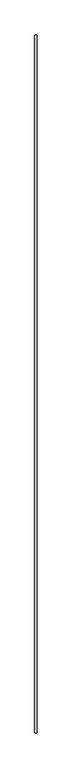
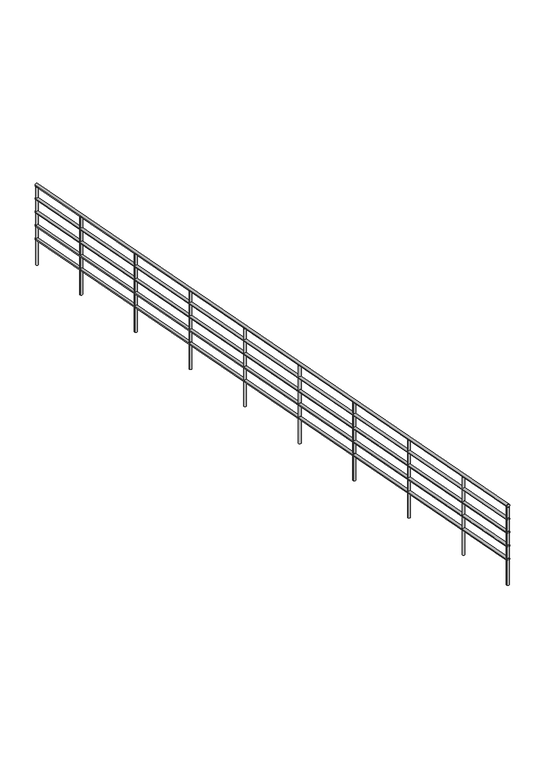
"""IFC4 building model written with IfcOpenShell, lengths in millimetres: railing geometry."""

from ifc_helpers import new_model, si_unit, frame, origin, place, context, project, spatial, circle_curve, ellipse_curve, source, transform, mapped, element, save
from ifc_brep_helpers import plane_surface, cylinder_surface, advanced_brep


def railing_ae4b4a71(model_context):
    return source(origin(), model_context, "Body", "AdvancedBrep", [
        advanced_brep(
        [(-2541.6708619, 4187.6998312, 5832.3366819), (-2571.6708619, 4187.6998312, 5832.3366819), (-2541.6708619, -4449.8001688, 7484.7279862), (-2571.6708619, -4449.8001688, 7484.7279862)],
        [
            (0, 1, ellipse_curve(frame((-2556.6708619, 4187.6998312, 5832.3366819), z_axis=(0.0, 1.0, 0.0), x_axis=(0.0, 0.0, -1.0)), 15.2720138, 15.0)),
            (1, 0, ellipse_curve(frame((-2556.6708619, 4187.6998312, 5832.3366819), z_axis=(0.0, 1.0, 0.0), x_axis=(0.0, 0.0, -1.0)), 15.2720138, 15.0)),
            (2, 3, ellipse_curve(frame((-2556.6708619, -4449.8001688, 7484.7279862), z_axis=(0.0, -1.0, 0.0), x_axis=(0.0, 0.0, -1.0)), 15.2720138, 15.0)),
            (3, 2, ellipse_curve(frame((-2556.6708619, -4449.8001688, 7484.7279862), z_axis=(0.0, -1.0, 0.0), x_axis=(0.0, 0.0, -1.0)), 15.2720138, 15.0)),
            (0, 2),
            (3, 1),
        ],
        [
            plane_surface(frame((-2556.6708619, 4187.6998312, 5847.6086957), z_axis=(0.0, 1.0, 0.0), x_axis=(0.0, 0.0, -1.0))),
            plane_surface(frame((-2556.6708619, -4449.8001688, 7500.0), z_axis=(0.0, -1.0, 0.0), x_axis=(0.0, 0.0, -1.0))),
            cylinder_surface(frame((-2556.6708619, 4184.8813766, 5832.8758645), z_axis=(0.0, 0.9821887426011093, -0.1878969768454297), x_axis=(-1.0, 0.0, 0.0)), 15.0),
        ],
        [
            (0, [[1, 2]]),
            (1, [[3, 4]]),
            (2, [[-1, 5, -4, 6]]),
            (2, [[-2, -6, -3, -5]]),
        ],
    ),
        advanced_brep(
        [(-2541.6708619, 4187.6998312, 5682.3366819), (-2571.6708619, 4187.6998312, 5682.3366819), (-2541.6708619, -4449.8001688, 7334.7279862), (-2571.6708619, -4449.8001688, 7334.7279862)],
        [
            (0, 1, ellipse_curve(frame((-2556.6708619, 4187.6998312, 5682.3366819), z_axis=(0.0, 1.0, 0.0), x_axis=(0.0, 0.0, -1.0)), 15.2720138, 15.0)),
            (1, 0, ellipse_curve(frame((-2556.6708619, 4187.6998312, 5682.3366819), z_axis=(0.0, 1.0, 0.0), x_axis=(0.0, 0.0, -1.0)), 15.2720138, 15.0)),
            (2, 3, ellipse_curve(frame((-2556.6708619, -4449.8001688, 7334.7279862), z_axis=(0.0, -1.0, 0.0), x_axis=(0.0, 0.0, -1.0)), 15.2720138, 15.0)),
            (3, 2, ellipse_curve(frame((-2556.6708619, -4449.8001688, 7334.7279862), z_axis=(0.0, -1.0, 0.0), x_axis=(0.0, 0.0, -1.0)), 15.2720138, 15.0)),
            (0, 2),
            (3, 1),
        ],
        [
            plane_surface(frame((-2556.6708619, 4187.6998312, 5697.6086957), z_axis=(0.0, 1.0, 0.0), x_axis=(0.0, 0.0, -1.0))),
            plane_surface(frame((-2556.6708619, -4449.8001688, 7350.0), z_axis=(0.0, -1.0, 0.0), x_axis=(0.0, 0.0, -1.0))),
            cylinder_surface(frame((-2556.6708619, 4184.8813766, 5682.8758645), z_axis=(0.0, 0.9821887426011093, -0.1878969768454297), x_axis=(-1.0, 0.0, 0.0)), 15.0),
        ],
        [
            (0, [[1, 2]]),
            (1, [[3, 4]]),
            (2, [[-1, 5, -4, 6]]),
            (2, [[-2, -6, -3, -5]]),
        ],
    ),
        advanced_brep(
        [(-2541.6708619, 4187.6998312, 5532.3366819), (-2571.6708619, 4187.6998312, 5532.3366819), (-2541.6708619, -4449.8001688, 7184.7279862), (-2571.6708619, -4449.8001688, 7184.7279862)],
        [
            (0, 1, ellipse_curve(frame((-2556.6708619, 4187.6998312, 5532.3366819), z_axis=(0.0, 1.0, 0.0), x_axis=(0.0, 0.0, -1.0)), 15.2720138, 15.0)),
            (1, 0, ellipse_curve(frame((-2556.6708619, 4187.6998312, 5532.3366819), z_axis=(0.0, 1.0, 0.0), x_axis=(0.0, 0.0, -1.0)), 15.2720138, 15.0)),
            (2, 3, ellipse_curve(frame((-2556.6708619, -4449.8001688, 7184.7279862), z_axis=(0.0, -1.0, 0.0), x_axis=(0.0, 0.0, -1.0)), 15.2720138, 15.0)),
            (3, 2, ellipse_curve(frame((-2556.6708619, -4449.8001688, 7184.7279862), z_axis=(0.0, -1.0, 0.0), x_axis=(0.0, 0.0, -1.0)), 15.2720138, 15.0)),
            (0, 2),
            (3, 1),
        ],
        [
            plane_surface(frame((-2556.6708619, 4187.6998312, 5547.6086957), z_axis=(0.0, 1.0, 0.0), x_axis=(0.0, 0.0, -1.0))),
            plane_surface(frame((-2556.6708619, -4449.8001688, 7200.0), z_axis=(0.0, -1.0, 0.0), x_axis=(0.0, 0.0, -1.0))),
            cylinder_surface(frame((-2556.6708619, 4184.8813766, 5532.8758645), z_axis=(0.0, 0.9821887426011093, -0.1878969768454297), x_axis=(-1.0, 0.0, 0.0)), 15.0),
        ],
        [
            (0, [[1, 2]]),
            (1, [[3, 4]]),
            (2, [[-1, 5, -4, 6]]),
            (2, [[-2, -6, -3, -5]]),
        ],
    ),
        advanced_brep(
        [(-2541.6708619, 4187.6998312, 5382.3366819), (-2571.6708619, 4187.6998312, 5382.3366819), (-2541.6708619, -4449.8001688, 7034.7279862), (-2571.6708619, -4449.8001688, 7034.7279862)],
        [
            (0, 1, ellipse_curve(frame((-2556.6708619, 4187.6998312, 5382.3366819), z_axis=(0.0, 1.0, 0.0), x_axis=(0.0, 0.0, -1.0)), 15.2720138, 15.0)),
            (1, 0, ellipse_curve(frame((-2556.6708619, 4187.6998312, 5382.3366819), z_axis=(0.0, 1.0, 0.0), x_axis=(0.0, 0.0, -1.0)), 15.2720138, 15.0)),
            (2, 3, ellipse_curve(frame((-2556.6708619, -4449.8001688, 7034.7279862), z_axis=(0.0, -1.0, 0.0), x_axis=(0.0, 0.0, -1.0)), 15.2720138, 15.0)),
            (3, 2, ellipse_curve(frame((-2556.6708619, -4449.8001688, 7034.7279862), z_axis=(0.0, -1.0, 0.0), x_axis=(0.0, 0.0, -1.0)), 15.2720138, 15.0)),
            (0, 2),
            (3, 1),
        ],
        [
            plane_surface(frame((-2556.6708619, 4187.6998312, 5397.6086957), z_axis=(0.0, 1.0, 0.0), x_axis=(0.0, 0.0, -1.0))),
            plane_surface(frame((-2556.6708619, -4449.8001688, 7050.0), z_axis=(0.0, -1.0, 0.0), x_axis=(0.0, 0.0, -1.0))),
            cylinder_surface(frame((-2556.6708619, 4184.8813766, 5382.8758645), z_axis=(0.0, 0.9821887426011093, -0.1878969768454297), x_axis=(-1.0, 0.0, 0.0)), 15.0),
        ],
        [
            (0, [[1, 2]]),
            (1, [[3, 4]]),
            (2, [[-1, 5, -4, 6]]),
            (2, [[-2, -6, -3, -5]]),
        ],
    ),
        advanced_brep(
        [(-2541.6708619, 4187.6998312, 5232.3366819), (-2571.6708619, 4187.6998312, 5232.3366819), (-2541.6708619, -4449.8001688, 6884.7279862), (-2571.6708619, -4449.8001688, 6884.7279862)],
        [
            (0, 1, ellipse_curve(frame((-2556.6708619, 4187.6998312, 5232.3366819), z_axis=(0.0, 1.0, 0.0), x_axis=(0.0, 0.0, -1.0)), 15.2720138, 15.0)),
            (1, 0, ellipse_curve(frame((-2556.6708619, 4187.6998312, 5232.3366819), z_axis=(0.0, 1.0, 0.0), x_axis=(0.0, 0.0, -1.0)), 15.2720138, 15.0)),
            (2, 3, ellipse_curve(frame((-2556.6708619, -4449.8001688, 6884.7279862), z_axis=(0.0, -1.0, 0.0), x_axis=(0.0, 0.0, -1.0)), 15.2720138, 15.0)),
            (3, 2, ellipse_curve(frame((-2556.6708619, -4449.8001688, 6884.7279862), z_axis=(0.0, -1.0, 0.0), x_axis=(0.0, 0.0, -1.0)), 15.2720138, 15.0)),
            (0, 2),
            (3, 1),
        ],
        [
            plane_surface(frame((-2556.6708619, 4187.6998312, 5247.6086957), z_axis=(0.0, 1.0, 0.0), x_axis=(0.0, 0.0, -1.0))),
            plane_surface(frame((-2556.6708619, -4449.8001688, 6900.0), z_axis=(0.0, -1.0, 0.0), x_axis=(0.0, 0.0, -1.0))),
            cylinder_surface(frame((-2556.6708619, 4184.8813766, 5232.8758645), z_axis=(0.0, 0.9821887426011093, -0.1878969768454297), x_axis=(-1.0, 0.0, 0.0)), 15.0),
        ],
        [
            (0, [[1, 2]]),
            (1, [[3, 4]]),
            (2, [[-1, 5, -4, 6]]),
            (2, [[-2, -6, -3, -5]]),
        ],
    ),
        advanced_brep(
        [(-2569.1708619, -3631.0501688, 7312.8255377), (-2569.1708619, -3631.0501688, 6443.3695652), (-2544.1708619, -3631.0501688, 6443.3695652), (-2544.1708619, -3631.0501688, 7312.8255377)],
        [
            (0, 1),
            (1, 2, circle_curve(frame((-2556.6708619, -3631.0501688, 6443.3695652), z_axis=(0.0, 0.0, 1.0), x_axis=(1.0, 0.0, 0.0)), 12.5)),
            (2, 3),
            (3, 0, ellipse_curve(frame((-2556.6708619, -3631.0501688, 7312.8255377), z_axis=(0.0, -0.18789697684542653, -0.9821887426011099), x_axis=(0.0, -0.9821887426011099, 0.18789697684542625)), 12.7266781, 12.5)),
            (0, 3, ellipse_curve(frame((-2556.6708619, -3631.0501688, 7312.8255377), z_axis=(0.0, -0.18789697684542653, -0.9821887426011099), x_axis=(0.0, -0.9821887426011099, 0.18789697684542625)), 12.7266781, 12.5)),
            (2, 1, circle_curve(frame((-2556.6708619, -3631.0501688, 6443.3695652), z_axis=(0.0, 0.0, 1.0), x_axis=(1.0, 0.0, 0.0)), 12.5)),
        ],
        [
            cylinder_surface(frame((-2556.6708619, -3631.0501688, 6343.3695652), z_axis=(0.0, 0.0, 1.0), x_axis=(1.0, 0.0, 0.0)), 12.5),
            plane_surface(frame((-2531.6708619, -3656.0501688, 7317.6081464), z_axis=(0.0, 0.18789697684542653, 0.9821887426011099), x_axis=(-1.0, 0.0, 0.0))),
            plane_surface(frame((-2531.6708619, -3606.0501688, 6443.3695652), z_axis=(0.0, 0.0, -1.0), x_axis=(-1.0, 0.0, 0.0))),
        ],
        [
            (0, [[1, 2, 3, 4]]),
            (0, [[-1, 5, -3, 6]]),
            (1, [[-4, -5]]),
            (2, [[-2, -6]]),
        ],
    ),
        advanced_brep(
        [(-2569.1708619, -2631.0501688, 7121.5211899), (-2569.1708619, -2631.0501688, 6252.0652174), (-2544.1708619, -2631.0501688, 6252.0652174), (-2544.1708619, -2631.0501688, 7121.5211899)],
        [
            (0, 1),
            (1, 2, circle_curve(frame((-2556.6708619, -2631.0501688, 6252.0652174), z_axis=(0.0, 0.0, 1.0), x_axis=(1.0, 0.0, 0.0)), 12.5)),
            (2, 3),
            (3, 0, ellipse_curve(frame((-2556.6708619, -2631.0501688, 7121.5211899), z_axis=(0.0, -0.18789697684542653, -0.9821887426011099), x_axis=(0.0, -0.9821887426011099, 0.18789697684542625)), 12.7266781, 12.5)),
            (0, 3, ellipse_curve(frame((-2556.6708619, -2631.0501688, 7121.5211899), z_axis=(0.0, -0.18789697684542653, -0.9821887426011099), x_axis=(0.0, -0.9821887426011099, 0.18789697684542625)), 12.7266781, 12.5)),
            (2, 1, circle_curve(frame((-2556.6708619, -2631.0501688, 6252.0652174), z_axis=(0.0, 0.0, 1.0), x_axis=(1.0, 0.0, 0.0)), 12.5)),
        ],
        [
            cylinder_surface(frame((-2556.6708619, -2631.0501688, 6152.0652174), z_axis=(0.0, 0.0, 1.0), x_axis=(1.0, 0.0, 0.0)), 12.5),
            plane_surface(frame((-2531.6708619, -2656.0501688, 7126.3037986), z_axis=(0.0, 0.18789697684542653, 0.9821887426011099), x_axis=(-1.0, 0.0, 0.0))),
            plane_surface(frame((-2531.6708619, -2606.0501688, 6252.0652174), z_axis=(0.0, 0.0, -1.0), x_axis=(-1.0, 0.0, 0.0))),
        ],
        [
            (0, [[1, 2, 3, 4]]),
            (0, [[-1, 5, -3, 6]]),
            (1, [[-4, -5]]),
            (2, [[-2, -6]]),
        ],
    ),
        advanced_brep(
        [(-2569.1708619, -1631.0501688, 6930.216842), (-2569.1708619, -1631.0501688, 6060.7608696), (-2544.1708619, -1631.0501688, 6060.7608696), (-2544.1708619, -1631.0501688, 6930.216842)],
        [
            (0, 1),
            (1, 2, circle_curve(frame((-2556.6708619, -1631.0501688, 6060.7608696), z_axis=(0.0, 0.0, 1.0), x_axis=(1.0, 0.0, 0.0)), 12.5)),
            (2, 3),
            (3, 0, ellipse_curve(frame((-2556.6708619, -1631.0501688, 6930.216842), z_axis=(0.0, -0.18789697684542653, -0.9821887426011099), x_axis=(0.0, -0.9821887426011099, 0.18789697684542625)), 12.7266781, 12.5)),
            (0, 3, ellipse_curve(frame((-2556.6708619, -1631.0501688, 6930.216842), z_axis=(0.0, -0.18789697684542653, -0.9821887426011099), x_axis=(0.0, -0.9821887426011099, 0.18789697684542625)), 12.7266781, 12.5)),
            (2, 1, circle_curve(frame((-2556.6708619, -1631.0501688, 6060.7608696), z_axis=(0.0, 0.0, 1.0), x_axis=(1.0, 0.0, 0.0)), 12.5)),
        ],
        [
            cylinder_surface(frame((-2556.6708619, -1631.0501688, 5960.7608696), z_axis=(0.0, 0.0, 1.0), x_axis=(1.0, 0.0, 0.0)), 12.5),
            plane_surface(frame((-2531.6708619, -1656.0501688, 6934.9994507), z_axis=(0.0, 0.18789697684542653, 0.9821887426011099), x_axis=(-1.0, 0.0, 0.0))),
            plane_surface(frame((-2531.6708619, -1606.0501688, 6060.7608696), z_axis=(0.0, 0.0, -1.0), x_axis=(-1.0, 0.0, 0.0))),
        ],
        [
            (0, [[1, 2, 3, 4]]),
            (0, [[-1, 5, -3, 6]]),
            (1, [[-4, -5]]),
            (2, [[-2, -6]]),
        ],
    ),
        advanced_brep(
        [(-2569.1708619, -631.0501688, 6738.9124942), (-2569.1708619, -631.0501688, 5869.4565217), (-2544.1708619, -631.0501688, 5869.4565217), (-2544.1708619, -631.0501688, 6738.9124942)],
        [
            (0, 1),
            (1, 2, circle_curve(frame((-2556.6708619, -631.0501688, 5869.4565217), z_axis=(0.0, 0.0, 1.0), x_axis=(1.0, 0.0, 0.0)), 12.5)),
            (2, 3),
            (3, 0, ellipse_curve(frame((-2556.6708619, -631.0501688, 6738.9124942), z_axis=(0.0, -0.18789697684542653, -0.9821887426011099), x_axis=(0.0, -0.9821887426011099, 0.18789697684542625)), 12.7266781, 12.5)),
            (0, 3, ellipse_curve(frame((-2556.6708619, -631.0501688, 6738.9124942), z_axis=(0.0, -0.18789697684542653, -0.9821887426011099), x_axis=(0.0, -0.9821887426011099, 0.18789697684542625)), 12.7266781, 12.5)),
            (2, 1, circle_curve(frame((-2556.6708619, -631.0501688, 5869.4565217), z_axis=(0.0, 0.0, 1.0), x_axis=(1.0, 0.0, 0.0)), 12.5)),
        ],
        [
            cylinder_surface(frame((-2556.6708619, -631.0501688, 5769.4565217), z_axis=(0.0, 0.0, 1.0), x_axis=(1.0, 0.0, 0.0)), 12.5),
            plane_surface(frame((-2531.6708619, -656.0501688, 6743.6951029), z_axis=(0.0, 0.18789697684542653, 0.9821887426011099), x_axis=(-1.0, 0.0, 0.0))),
            plane_surface(frame((-2531.6708619, -606.0501688, 5869.4565217), z_axis=(0.0, 0.0, -1.0), x_axis=(-1.0, 0.0, 0.0))),
        ],
        [
            (0, [[1, 2, 3, 4]]),
            (0, [[-1, 5, -3, 6]]),
            (1, [[-4, -5]]),
            (2, [[-2, -6]]),
        ],
    ),
        advanced_brep(
        [(-2569.1708619, 368.9498312, 6547.6081464), (-2569.1708619, 368.9498312, 5678.1521739), (-2544.1708619, 368.9498312, 5678.1521739), (-2544.1708619, 368.9498312, 6547.6081464)],
        [
            (0, 1),
            (1, 2, circle_curve(frame((-2556.6708619, 368.9498312, 5678.1521739), z_axis=(0.0, 0.0, 1.0), x_axis=(1.0, 0.0, 0.0)), 12.5)),
            (2, 3),
            (3, 0, ellipse_curve(frame((-2556.6708619, 368.9498312, 6547.6081464), z_axis=(0.0, -0.18789697684542653, -0.9821887426011099), x_axis=(0.0, -0.9821887426011099, 0.18789697684542625)), 12.7266781, 12.5)),
            (0, 3, ellipse_curve(frame((-2556.6708619, 368.9498312, 6547.6081464), z_axis=(0.0, -0.18789697684542653, -0.9821887426011099), x_axis=(0.0, -0.9821887426011099, 0.18789697684542625)), 12.7266781, 12.5)),
            (2, 1, circle_curve(frame((-2556.6708619, 368.9498312, 5678.1521739), z_axis=(0.0, 0.0, 1.0), x_axis=(1.0, 0.0, 0.0)), 12.5)),
        ],
        [
            cylinder_surface(frame((-2556.6708619, 368.9498312, 5578.1521739), z_axis=(0.0, 0.0, 1.0), x_axis=(1.0, 0.0, 0.0)), 12.5),
            plane_surface(frame((-2531.6708619, 343.9498312, 6552.3907551), z_axis=(0.0, 0.18789697684542653, 0.9821887426011099), x_axis=(-1.0, 0.0, 0.0))),
            plane_surface(frame((-2531.6708619, 393.9498312, 5678.1521739), z_axis=(0.0, 0.0, -1.0), x_axis=(-1.0, 0.0, 0.0))),
        ],
        [
            (0, [[1, 2, 3, 4]]),
            (0, [[-1, 5, -3, 6]]),
            (1, [[-4, -5]]),
            (2, [[-2, -6]]),
        ],
    ),
        advanced_brep(
        [(-2569.1708619, 1368.9498312, 6356.3037986), (-2569.1708619, 1368.9498312, 5486.8478261), (-2544.1708619, 1368.9498312, 5486.8478261), (-2544.1708619, 1368.9498312, 6356.3037986)],
        [
            (0, 1),
            (1, 2, circle_curve(frame((-2556.6708619, 1368.9498312, 5486.8478261), z_axis=(0.0, 0.0, 1.0), x_axis=(1.0, 0.0, 0.0)), 12.5)),
            (2, 3),
            (3, 0, ellipse_curve(frame((-2556.6708619, 1368.9498312, 6356.3037986), z_axis=(0.0, -0.18789697684542653, -0.9821887426011099), x_axis=(0.0, -0.9821887426011099, 0.18789697684542625)), 12.7266781, 12.5)),
            (0, 3, ellipse_curve(frame((-2556.6708619, 1368.9498312, 6356.3037986), z_axis=(0.0, -0.18789697684542653, -0.9821887426011099), x_axis=(0.0, -0.9821887426011099, 0.18789697684542625)), 12.7266781, 12.5)),
            (2, 1, circle_curve(frame((-2556.6708619, 1368.9498312, 5486.8478261), z_axis=(0.0, 0.0, 1.0), x_axis=(1.0, 0.0, 0.0)), 12.5)),
        ],
        [
            cylinder_surface(frame((-2556.6708619, 1368.9498312, 5386.8478261), z_axis=(0.0, 0.0, 1.0), x_axis=(1.0, 0.0, 0.0)), 12.5),
            plane_surface(frame((-2531.6708619, 1343.9498312, 6361.0864072), z_axis=(0.0, 0.18789697684542653, 0.9821887426011099), x_axis=(-1.0, 0.0, 0.0))),
            plane_surface(frame((-2531.6708619, 1393.9498312, 5486.8478261), z_axis=(0.0, 0.0, -1.0), x_axis=(-1.0, 0.0, 0.0))),
        ],
        [
            (0, [[1, 2, 3, 4]]),
            (0, [[-1, 5, -3, 6]]),
            (1, [[-4, -5]]),
            (2, [[-2, -6]]),
        ],
    ),
        advanced_brep(
        [(-2569.1708619, 2368.9498312, 6164.9994507), (-2569.1708619, 2368.9498312, 5295.5434783), (-2544.1708619, 2368.9498312, 5295.5434783), (-2544.1708619, 2368.9498312, 6164.9994507)],
        [
            (0, 1),
            (1, 2, circle_curve(frame((-2556.6708619, 2368.9498312, 5295.5434783), z_axis=(0.0, 0.0, 1.0), x_axis=(1.0, 0.0, 0.0)), 12.5)),
            (2, 3),
            (3, 0, ellipse_curve(frame((-2556.6708619, 2368.9498312, 6164.9994507), z_axis=(0.0, -0.18789697684542653, -0.9821887426011099), x_axis=(0.0, -0.9821887426011099, 0.18789697684542625)), 12.7266781, 12.5)),
            (0, 3, ellipse_curve(frame((-2556.6708619, 2368.9498312, 6164.9994507), z_axis=(0.0, -0.18789697684542653, -0.9821887426011099), x_axis=(0.0, -0.9821887426011099, 0.18789697684542625)), 12.7266781, 12.5)),
            (2, 1, circle_curve(frame((-2556.6708619, 2368.9498312, 5295.5434783), z_axis=(0.0, 0.0, 1.0), x_axis=(1.0, 0.0, 0.0)), 12.5)),
        ],
        [
            cylinder_surface(frame((-2556.6708619, 2368.9498312, 5195.5434783), z_axis=(0.0, 0.0, 1.0), x_axis=(1.0, 0.0, 0.0)), 12.5),
            plane_surface(frame((-2531.6708619, 2343.9498312, 6169.7820594), z_axis=(0.0, 0.18789697684542653, 0.9821887426011099), x_axis=(-1.0, 0.0, 0.0))),
            plane_surface(frame((-2531.6708619, 2393.9498312, 5295.5434783), z_axis=(0.0, 0.0, -1.0), x_axis=(-1.0, 0.0, 0.0))),
        ],
        [
            (0, [[1, 2, 3, 4]]),
            (0, [[-1, 5, -3, 6]]),
            (1, [[-4, -5]]),
            (2, [[-2, -6]]),
        ],
    ),
        advanced_brep(
        [(-2569.1708619, 3368.9498312, 5973.6951029), (-2569.1708619, 3368.9498312, 5104.2391304), (-2544.1708619, 3368.9498312, 5104.2391304), (-2544.1708619, 3368.9498312, 5973.6951029)],
        [
            (0, 1),
            (1, 2, circle_curve(frame((-2556.6708619, 3368.9498312, 5104.2391304), z_axis=(0.0, 0.0, 1.0), x_axis=(1.0, 0.0, 0.0)), 12.5)),
            (2, 3),
            (3, 0, ellipse_curve(frame((-2556.6708619, 3368.9498312, 5973.6951029), z_axis=(0.0, -0.18789697684542653, -0.9821887426011099), x_axis=(0.0, -0.9821887426011099, 0.18789697684542625)), 12.7266781, 12.5)),
            (0, 3, ellipse_curve(frame((-2556.6708619, 3368.9498312, 5973.6951029), z_axis=(0.0, -0.18789697684542653, -0.9821887426011099), x_axis=(0.0, -0.9821887426011099, 0.18789697684542625)), 12.7266781, 12.5)),
            (2, 1, circle_curve(frame((-2556.6708619, 3368.9498312, 5104.2391304), z_axis=(0.0, 0.0, 1.0), x_axis=(1.0, 0.0, 0.0)), 12.5)),
        ],
        [
            cylinder_surface(frame((-2556.6708619, 3368.9498312, 5004.2391304), z_axis=(0.0, 0.0, 1.0), x_axis=(1.0, 0.0, 0.0)), 12.5),
            plane_surface(frame((-2531.6708619, 3343.9498312, 5978.4777116), z_axis=(0.0, 0.18789697684542653, 0.9821887426011099), x_axis=(-1.0, 0.0, 0.0))),
            plane_surface(frame((-2531.6708619, 3393.9498312, 5104.2391304), z_axis=(0.0, 0.0, -1.0), x_axis=(-1.0, 0.0, 0.0))),
        ],
        [
            (0, [[1, 2, 3, 4]]),
            (0, [[-1, 5, -3, 6]]),
            (1, [[-4, -5]]),
            (2, [[-2, -6]]),
        ],
    ),
        advanced_brep(
        [(-2569.1708619, -4439.8001688, 7467.542929), (-2569.1708619, -4439.8001688, 6598.0869565), (-2544.1708619, -4439.8001688, 6598.0869565), (-2544.1708619, -4439.8001688, 7467.542929)],
        [
            (0, 1),
            (1, 2, circle_curve(frame((-2556.6708619, -4439.8001688, 6598.0869565), z_axis=(0.0, 0.0, 1.0), x_axis=(1.0, 0.0, 0.0)), 12.5)),
            (2, 3),
            (3, 0, ellipse_curve(frame((-2556.6708619, -4439.8001688, 7467.542929), z_axis=(0.0, -0.18789697684542653, -0.9821887426011099), x_axis=(0.0, -0.9821887426011099, 0.18789697684542625)), 12.7266781, 12.5)),
            (0, 3, ellipse_curve(frame((-2556.6708619, -4439.8001688, 7467.542929), z_axis=(0.0, -0.18789697684542653, -0.9821887426011099), x_axis=(0.0, -0.9821887426011099, 0.18789697684542625)), 12.7266781, 12.5)),
            (2, 1, circle_curve(frame((-2556.6708619, -4439.8001688, 6598.0869565), z_axis=(0.0, 0.0, 1.0), x_axis=(1.0, 0.0, 0.0)), 12.5)),
        ],
        [
            cylinder_surface(frame((-2556.6708619, -4439.8001688, 6498.0869565), z_axis=(0.0, 0.0, 1.0), x_axis=(1.0, 0.0, 0.0)), 12.5),
            plane_surface(frame((-2531.6708619, -4464.8001688, 7472.3255377), z_axis=(0.0, 0.18789697684542653, 0.9821887426011099), x_axis=(-1.0, 0.0, 0.0))),
            plane_surface(frame((-2531.6708619, -4414.8001688, 6598.0869565), z_axis=(0.0, 0.0, -1.0), x_axis=(-1.0, 0.0, 0.0))),
        ],
        [
            (0, [[1, 2, 3, 4]]),
            (0, [[-1, 5, -3, 6]]),
            (1, [[-4, -5]]),
            (2, [[-2, -6]]),
        ],
    ),
        advanced_brep(
        [(-2569.1708619, 4177.6998312, 5818.9777116), (-2569.1708619, 4177.6998312, 4949.5217391), (-2544.1708619, 4177.6998312, 4949.5217391), (-2544.1708619, 4177.6998312, 5818.9777116)],
        [
            (0, 1),
            (1, 2, circle_curve(frame((-2556.6708619, 4177.6998312, 4949.5217391), z_axis=(0.0, 0.0, 1.0), x_axis=(1.0, 0.0, 0.0)), 12.5)),
            (2, 3),
            (3, 0, ellipse_curve(frame((-2556.6708619, 4177.6998312, 5818.9777116), z_axis=(0.0, -0.18789697684542653, -0.9821887426011099), x_axis=(0.0, -0.9821887426011099, 0.18789697684542625)), 12.7266781, 12.5)),
            (0, 3, ellipse_curve(frame((-2556.6708619, 4177.6998312, 5818.9777116), z_axis=(0.0, -0.18789697684542653, -0.9821887426011099), x_axis=(0.0, -0.9821887426011099, 0.18789697684542625)), 12.7266781, 12.5)),
            (2, 1, circle_curve(frame((-2556.6708619, 4177.6998312, 4949.5217391), z_axis=(0.0, 0.0, 1.0), x_axis=(1.0, 0.0, 0.0)), 12.5)),
        ],
        [
            cylinder_surface(frame((-2556.6708619, 4177.6998312, 4849.5217391), z_axis=(0.0, 0.0, 1.0), x_axis=(1.0, 0.0, 0.0)), 12.5),
            plane_surface(frame((-2531.6708619, 4152.6998312, 5823.7603203), z_axis=(0.0, 0.18789697684542653, 0.9821887426011099), x_axis=(-1.0, 0.0, 0.0))),
            plane_surface(frame((-2531.6708619, 4202.6998312, 4949.5217391), z_axis=(0.0, 0.0, -1.0), x_axis=(-1.0, 0.0, 0.0))),
        ],
        [
            (0, [[1, 2, 3, 4]]),
            (0, [[-1, 5, -3, 6]]),
            (1, [[-4, -5]]),
            (2, [[-2, -6]]),
        ],
    ),
    ])


if __name__ == "__main__":
    model = new_model("IFC4")
    model_context = context("Model", 3, world=origin())
    ifc_project = project(units=[si_unit("LENGTHUNIT", "METRE", prefix="MILLI")], contexts=[model_context])
    site = spatial("IfcSite", under=ifc_project)
    building = spatial("IfcBuilding", under=site)
    placement = place(None, origin())
    railing_shape = railing_ae4b4a71(model_context)
    element("IfcRailing", 1, at=placement, inside=building, context=model_context, shape_type="MappedRepresentation", body=[
        mapped(railing_shape, transform((0.0, 0.0, 0.0), x_axis=(1.0, 0.0, 0.0), y_axis=(0.0, 1.0, 0.0), z_axis=(0.0, 0.0, 1.0))),
    ])
    save(model, "model.ifc")
